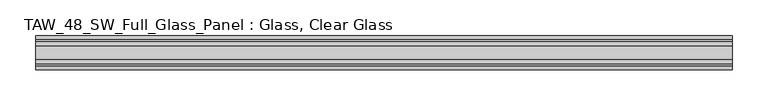
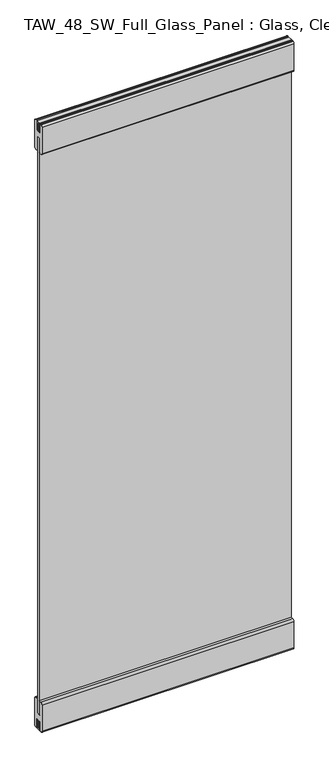
"""IFC4 building model written with IfcOpenShell, lengths in millimetres: plate geometry, TAW_48_SW_Full_Glass_Panel : Glass, Clear Glass."""

from ifc_helpers import new_model, si_unit, point, frame, frame_2d, origin, place, context, project, spatial, polyline, circle_curve, trimmed, segment, composite_curve, outline, extrude, source, transform, mapped, element, save


def taw_48_sw_full_glass_panel_glass_clear_glass_0186a741(model_context):
    return source(origin(), model_context, "Body", "SweptSolid", [
        extrude(outline(polyline([(489.9553211, 5.0), (489.9553211, -5.0), (-489.9553211, -5.0), (-489.9553211, 5.0), (489.9553211, 5.0)])), frame((0.0, 0.0, 65.5028724), z_axis=(0.0, 0.0, 1.0), x_axis=(1.0, 0.0, 0.0)), (0.0, 0.0, 1.0), 2369.1638255),
        extrude(outline(composite_curve([segment(polyline([(6.0, 123.0), (16.7, 123.0)]), True, "CONTINUOUS"), segment(trimmed(circle_curve(frame_2d((16.7, 115.7)), 7.3), [point((16.7, 123.0))], [point((24.0, 115.7))], False, "CARTESIAN"), True, "CONTINUOUS"), segment(polyline([(24.0, 115.7), (24.0, 7.2006944)]), True, "CONTINUOUS"), segment(trimmed(circle_curve(frame_2d((16.7, 7.2006944)), 7.3), [point((24.0, 7.2006944))], [point((17.9, 0.0))], False, "CARTESIAN"), True, "CONTINUOUS"), segment(polyline([(17.9, 0.0), (15.5529859, 0.0), (15.5529859, 2.1027745), (10.0, 2.1027745), (10.0, 38.0), (-10.0, 38.0), (-10.0, 2.1027745), (-15.0493747, 2.1027745), (-15.0493747, 0.0), (-18.4598098, 0.0)]), True, "CONTINUOUS"), segment(trimmed(circle_curve(frame_2d((-16.55, 7.2010504)), 7.45), [point((-18.4598098, 0.0))], [point((-24.0, 7.2010504))], False, "CARTESIAN"), True, "CONTINUOUS"), segment(polyline([(-24.0, 7.2010504), (-24.0, 115.55)]), True, "CONTINUOUS"), segment(trimmed(circle_curve(frame_2d((-16.55, 115.55)), 7.45), [point((-24.0, 115.55))], [point((-16.55, 123.0))], False, "CARTESIAN"), True, "CONTINUOUS"), segment(polyline([(-16.55, 123.0), (-6.0, 123.0), (-6.0, 121.4010504), (-9.5, 121.4010504), (-9.5, 65.5028724), (9.5, 65.5028724), (9.5, 121.2506944), (6.0, 121.2506944), (6.0, 123.0)]), True, "CONTINUOUS")], self_intersect=False)), frame((-489.9553211, 0.0, 0.0), z_axis=(1.0, 0.0, 0.0), x_axis=(0.0, 1.0, 0.0)), (0.0, 0.0, 1.0), 979.9106422),
        extrude(outline(polyline([(9.0, 2500.0), (9.0, 2461.2139286), (5.0, 2461.2139286), (5.0, 2496.0), (-5.0, 2496.0), (-5.0, 2461.2139286), (-9.0, 2461.2139286), (-9.0, 2500.0), (9.0, 2500.0)])), frame((-489.9553211, 0.0, 0.0), z_axis=(1.0, 0.0, 0.0), x_axis=(0.0, 1.0, 0.0)), (0.0, 0.0, 1.0), 979.9106422),
        extrude(outline(polyline([(-9.0, 0.0), (-9.0, 38.0), (-5.0, 38.0), (-5.0, 4.0), (5.0, 4.0), (5.0, 38.0), (9.0, 38.0), (9.0, 0.0), (-9.0, 0.0)])), frame((-489.9553211, 0.0, 0.0), z_axis=(1.0, 0.0, 0.0), x_axis=(0.0, 1.0, 0.0)), (0.0, 0.0, 1.0), 979.9106422),
        extrude(outline(composite_curve([segment(polyline([(-6.0, 2377.0), (-16.7, 2377.0)]), True, "CONTINUOUS"), segment(trimmed(circle_curve(frame_2d((-16.7, 2384.3)), 7.3), [point((-16.7, 2377.0))], [point((-24.0, 2384.3))], False, "CARTESIAN"), True, "CONTINUOUS"), segment(polyline([(-24.0, 2384.3), (-24.0, 2492.9688758)]), True, "CONTINUOUS"), segment(trimmed(circle_curve(frame_2d((-16.7, 2492.9688758)), 7.3), [point((-24.0, 2492.9688758))], [point((-18.6629804, 2500.0))], False, "CARTESIAN"), True, "CONTINUOUS"), segment(polyline([(-18.6629804, 2500.0), (-16.0197946, 2500.0), (-16.0197946, 2498.0667957), (-9.5, 2498.0667957), (-9.5, 2461.0667957), (9.5, 2461.0667957), (9.5, 2498.0667957), (16.0197946, 2498.0667957), (16.0197946, 2500.0), (18.6629804, 2500.0)]), True, "CONTINUOUS"), segment(trimmed(circle_curve(frame_2d((16.7, 2492.9688758)), 7.3), [point((18.6629804, 2500.0))], [point((24.0, 2492.9688758))], False, "CARTESIAN"), True, "CONTINUOUS"), segment(polyline([(24.0, 2492.9688758), (24.0, 2384.3)]), True, "CONTINUOUS"), segment(trimmed(circle_curve(frame_2d((16.7, 2384.3)), 7.3), [point((24.0, 2384.3))], [point((16.7, 2377.0))], False, "CARTESIAN"), True, "CONTINUOUS"), segment(polyline([(16.7, 2377.0), (6.0, 2377.0), (6.0, 2378.9188758), (9.5, 2378.9188758), (9.5, 2434.6666978), (-9.5, 2434.6666978), (-9.5, 2378.9188758), (-6.0, 2378.9188758), (-6.0, 2377.0)]), True, "CONTINUOUS")], self_intersect=False)), frame((-489.9553211, 0.0, 0.0), z_axis=(1.0, 0.0, 0.0), x_axis=(0.0, 1.0, 0.0)), (0.0, 0.0, 1.0), 979.9106422),
    ])


if __name__ == "__main__":
    model = new_model("IFC4")
    model_context = context("Model", 3, world=origin())
    ifc_project = project(units=[si_unit("LENGTHUNIT", "METRE", prefix="MILLI")], contexts=[model_context])
    site = spatial("IfcSite", under=ifc_project)
    building = spatial("IfcBuilding", under=site)
    placement = place(None, origin())
    taw_48_sw_full_glass_panel_glass_clear_glass_shape = taw_48_sw_full_glass_panel_glass_clear_glass_0186a741(model_context)
    element("IfcPlate", 1, ObjectType="TAW_48_SW_Full_Glass_Panel : Glass, Clear Glass", at=placement, inside=building, context=model_context, shape_type="MappedRepresentation", body=[
        mapped(taw_48_sw_full_glass_panel_glass_clear_glass_shape, transform((0.0, 0.0, 0.0), x_axis=(1.0, 0.0, 0.0), y_axis=(0.0, 1.0, 0.0), z_axis=(0.0, 0.0, 1.0))),
    ])
    save(model, "model.ifc")
